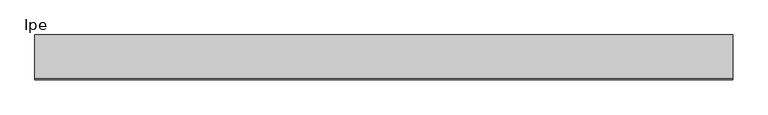
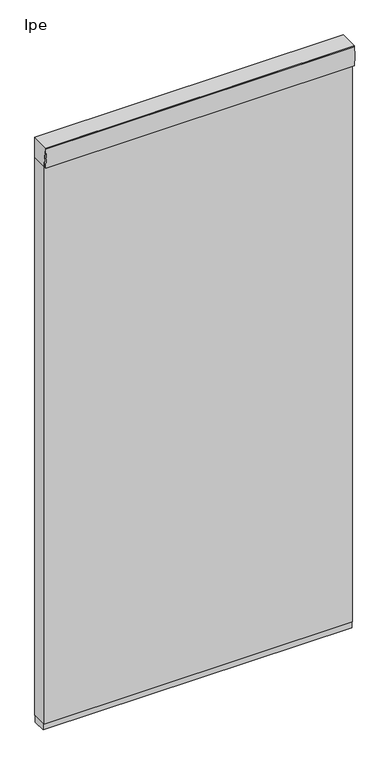
"""IFC4 building model written with IfcOpenShell, lengths in millimetres: plate geometry, Ipe."""

from ifc_helpers import new_model, si_unit, point, frame, frame_2d, origin, place, context, project, spatial, polyline, circle_curve, trimmed, segment, composite_curve, outline, extrude, source, transform, mapped, element, save


def ipe_8324255a(model_context):
    return source(origin(), model_context, "Body", "SweptSolid", [
        extrude(outline(composite_curve([segment(polyline([(28.575, 2438.4), (28.575, 2359.025), (-34.13125, 2359.025)]), True, "CONTINUOUS"), segment(trimmed(circle_curve(frame_2d((-367.5335463, 2356.0450255)), 333.4156137), [point((-34.13125, 2359.025))], [point((-43.65625, 2435.225))], True, "CARTESIAN"), True, "CONTINUOUS"), segment(polyline([(-43.65625, 2435.225), (-43.65625, 2438.4), (28.575, 2438.4)]), True, "CONTINUOUS")], self_intersect=False)), frame((-584.2, 0.0, 0.0), z_axis=(1.0, 0.0, 0.0), x_axis=(0.0, 1.0, 0.0)), (0.0, 0.0, 1.0), 1168.4),
        extrude(outline(composite_curve([segment(polyline([(28.575, 2359.025), (-43.65625, 2359.025)]), True, "CONTINUOUS"), segment(trimmed(circle_curve(frame_2d((268.5966329, 2398.7125)), 314.7649291), [point((-43.65625, 2359.025))], [point((-43.65625, 2438.4))], False, "CARTESIAN"), True, "CONTINUOUS"), segment(polyline([(-43.65625, 2438.4), (28.575, 2438.4), (28.575, 2359.025)]), True, "CONTINUOUS")], self_intersect=False)), frame((-584.2, 0.0, 0.0), z_axis=(1.0, 0.0, 0.0), x_axis=(0.0, 1.0, 0.0)), (0.0, 0.0, 1.0), 1168.4),
        extrude(outline(polyline([(-584.2, 25.4), (584.2, 25.4), (584.2, -25.4), (-584.2, -25.4), (-584.2, 25.4)])), frame((0.0, 0.0, 101.6), z_axis=(0.0, 0.0, 1.0), x_axis=(1.0, 0.0, 0.0)), (0.0, 0.0, 1.0), 25.4),
        extrude(outline(polyline([(584.2, 28.575), (584.2, -28.575), (-584.2, -28.575), (-584.2, 28.575), (584.2, 28.575)])), frame((0.0, 0.0, 127.0), z_axis=(0.0, 0.0, 1.0), x_axis=(1.0, 0.0, 0.0)), (0.0, 0.0, 1.0), 2260.6),
    ])


if __name__ == "__main__":
    model = new_model("IFC4")
    model_context = context("Model", 3, world=origin())
    ifc_project = project(units=[si_unit("LENGTHUNIT", "METRE", prefix="MILLI")], contexts=[model_context])
    site = spatial("IfcSite", under=ifc_project)
    building = spatial("IfcBuilding", under=site)
    placement = place(None, origin())
    ipe_shape = ipe_8324255a(model_context)
    element("IfcPlate", 1, ObjectType="Ipe", at=placement, inside=building, context=model_context, shape_type="MappedRepresentation", body=[
        mapped(ipe_shape, transform((0.0, 0.0, 0.0), x_axis=(1.0, 0.0, 0.0), y_axis=(0.0, 1.0, 0.0), z_axis=(0.0, 0.0, 1.0))),
    ])
    save(model, "model.ifc")
